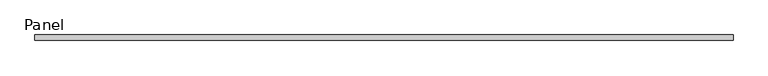
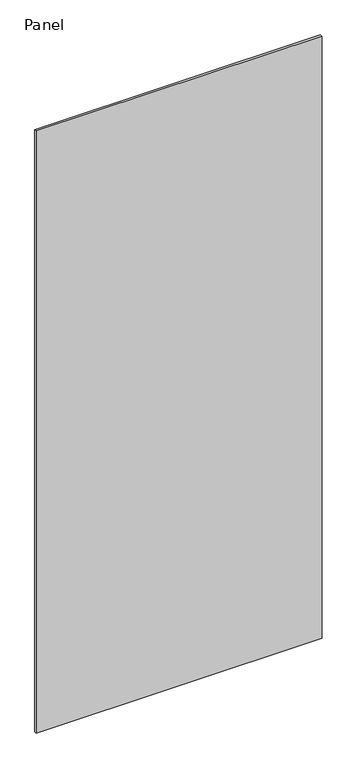
"""IFC4 building model written with IfcOpenShell, lengths in millimetres: plate geometry, Panel."""

from ifc_helpers import new_model, si_unit, frame, origin, place, context, project, spatial, polyline, outline, extrude, source, transform, mapped, element, save


def panel_c569e607(model_context):
    return source(origin(), model_context, "Body", "SweptSolid", [
        extrude(outline(polyline([(598.4875, 31.75), (-598.4875, 31.75), (-598.4875, 41.275), (598.4875, 41.275), (598.4875, 31.75)])), frame((0.0, 0.0, -25.4), z_axis=(0.0, 0.0, 1.0), x_axis=(1.0, 0.0, 0.0)), (0.0, 0.0, 1.0), 2663.825),
    ])


if __name__ == "__main__":
    model = new_model("IFC4")
    model_context = context("Model", 3, world=origin())
    ifc_project = project(units=[si_unit("LENGTHUNIT", "METRE", prefix="MILLI")], contexts=[model_context])
    site = spatial("IfcSite", under=ifc_project)
    building = spatial("IfcBuilding", under=site)
    placement = place(None, origin())
    panel_shape = panel_c569e607(model_context)
    element("IfcPlate", 1, ObjectType="Panel", at=placement, inside=building, context=model_context, shape_type="MappedRepresentation", body=[
        mapped(panel_shape, transform((0.0, 0.0, 0.0), x_axis=(1.0, 0.0, 0.0), y_axis=(0.0, 1.0, 0.0), z_axis=(0.0, 0.0, 1.0))),
    ])
    save(model, "model.ifc")
